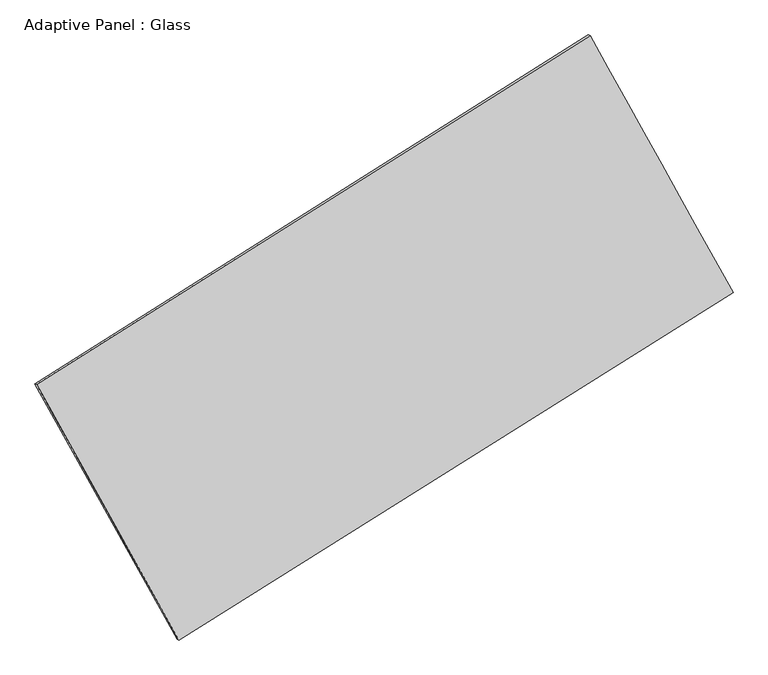
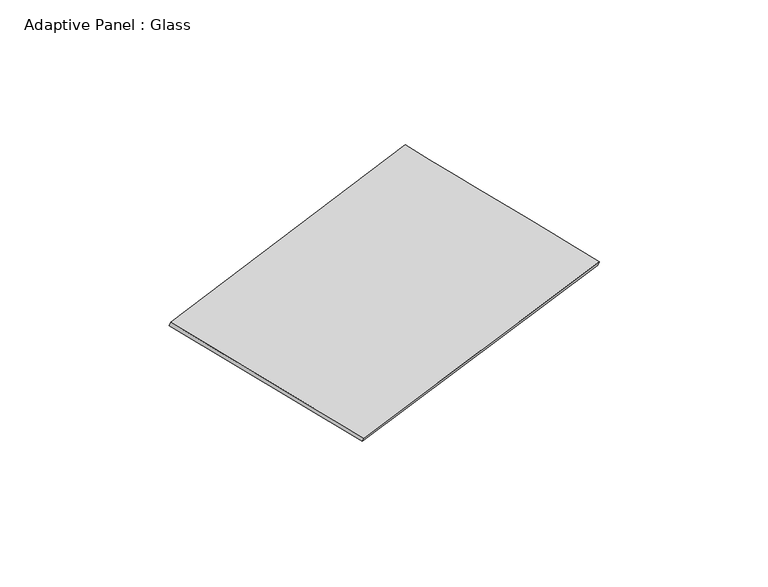
"""IFC4 building model written with IfcOpenShell, lengths in millimetres: plate geometry, Adaptive Panel : Glass."""

from ifc_helpers import new_model, si_unit, frame, origin, place, context, project, spatial, source, transform, mapped, element, save
from ifc_brep_helpers import plane_surface, spline_surface, advanced_brep


def adaptive_panel_glass_59081b3d(model_context):
    return source(origin(), model_context, "Body", "AdvancedBrep", [
        advanced_brep(
        [(1163.6503321, 2574.2900068, 670.5471706), (-3724.6537228, -509.0424059, 1766.9941687), (-3709.987367, -515.4224993, 1814.3670767), (1178.316688, 2567.9099133, 717.9200786), (-2468.7300288, -2767.4508914, 1075.6991769), (-2454.063673, -2773.8309849, 1123.0720849), (2426.4428414, 301.9547177, -28.1179959), (2441.1091972, 295.5746242, 19.2549121)],
        [
            (0, 1),
            (1, 2),
            (2, 3),
            (3, 0),
            (1, 4),
            (4, 5),
            (5, 2),
            (4, 6),
            (6, 7),
            (7, 5),
            (6, 0),
            (3, 7),
        ],
        [
            plane_surface(frame((-1280.5016953, 1032.6238005, 1218.7706696), z_axis=(-0.4728237839192636, 0.8419925042956555, 0.2597812388726334), x_axis=(-0.8309807678120943, -0.5241470061803192, 0.18638905396677877))),
            plane_surface(frame((-3096.6918758, -1638.2466487, 1421.3466728), z_axis=(-0.832880687042168, -0.5206389967763868, 0.1877359746767898), x_axis=(0.4695036276790379, -0.8442638527997188, -0.2584277277151162))),
            plane_surface(frame((-21.1435937, -1232.7480869, 523.7905905), z_axis=(0.47043627145157074, -0.8434939886929512, -0.2592442970281121), x_axis=(0.8321757269598621, 0.5217966580270074, -0.18764809386367812))),
            plane_surface(frame((1795.0465867, 1438.1223622, 321.2145873), z_axis=(0.8329061907078132, 0.520593119970963, -0.18775004905325177), x_axis=(-0.4691095490963065, 0.8441404071573422, 0.25954422349745476))),
            spline_surface(1, 1, [[(-3709.987367, -515.4224993, 1814.3670767), (1178.316688, 2567.9099133, 717.9200786)], [(-2454.063673, -2773.8309849, 1123.0720849), (2441.1091972, 295.5746242, 19.2549121)]], [2, 2], [2, 2], [0.0, 1.0], [0.0, 1.0]),
            spline_surface(1, 1, [[(2426.4428414, 301.9547177, -28.1179959), (1163.6503321, 2574.2900068, 670.5471706)], [(-2468.7300288, -2767.4508914, 1075.6991769), (-3724.6537228, -509.0424059, 1766.9941687)]], [2, 2], [2, 2], [0.0, 1.0], [0.0, 1.0]),
        ],
        [
            (0, [[1, 2, 3, 4]]),
            (1, [[5, 6, 7, -2]]),
            (2, [[8, 9, 10, -6]]),
            (3, [[11, -4, 12, -9]]),
            (4, [[-3, -7, -10, -12]]),
            (5, [[-11, -8, -5, -1]]),
        ],
    ),
    ])


if __name__ == "__main__":
    model = new_model("IFC4")
    model_context = context("Model", 3, world=origin())
    ifc_project = project(units=[si_unit("LENGTHUNIT", "METRE", prefix="MILLI")], contexts=[model_context])
    site = spatial("IfcSite", under=ifc_project)
    building = spatial("IfcBuilding", under=site)
    placement = place(None, origin())
    adaptive_panel_glass_shape = adaptive_panel_glass_59081b3d(model_context)
    element("IfcPlate", 1, ObjectType="Adaptive Panel : Glass", at=placement, inside=building, context=model_context, shape_type="MappedRepresentation", body=[
        mapped(adaptive_panel_glass_shape, transform((0.0, 0.0, 0.0), x_axis=(1.0, 0.0, 0.0), y_axis=(0.0, 1.0, 0.0), z_axis=(0.0, 0.0, 1.0))),
    ])
    save(model, "model.ifc")
